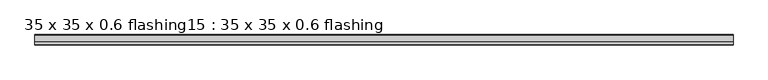
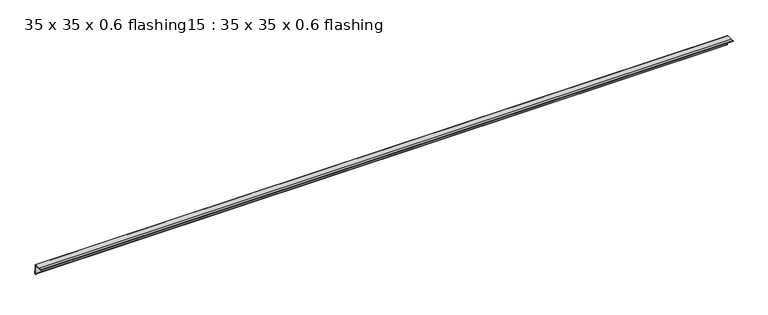
"""IFC4 building model written with IfcOpenShell, lengths in millimetres: proxy geometry, 35 x 35 x 0.6 flashing15 : 35 x 35 x 0.6 flashing."""

from ifc_helpers import new_model, si_unit, point, frame, frame_2d, origin, place, context, project, spatial, polyline, circle_curve, trimmed, segment, composite_curve, outline, extrude, source, transform, mapped, element, save


def proxy_35_x_35_x_0_6_flashing15_35_x_35_x_0_6_flashing_960d255f(model_context):
    return source(origin(), model_context, "Body", "SweptSolid", [
        extrude(outline(composite_curve([segment(polyline([(831.6461443, 1425.3887139), (854.1461443, 1425.3887139)]), True, "CONTINUOUS"), segment(trimmed(circle_curve(frame_2d((854.1461443, 1422.8887139)), 2.5), [point((854.1461443, 1425.3887139))], [point((856.6461443, 1422.8887139))], False, "CARTESIAN"), True, "CONTINUOUS"), segment(polyline([(856.6461443, 1422.8887139), (856.6461443, 1400.3887139), (857.6461443, 1400.3887139), (857.6461443, 1391.3560365)]), True, "CONTINUOUS"), segment(trimmed(circle_curve(frame_2d((856.6461443, 1391.3560365)), 1.0), [point((857.6461443, 1391.3560365))], [point((855.6461443, 1391.3560365))], False, "CARTESIAN"), True, "CONTINUOUS"), segment(polyline([(855.6461443, 1391.3560365), (855.6461443, 1422.8887139)]), True, "CONTINUOUS"), segment(trimmed(circle_curve(frame_2d((854.1461443, 1422.8887139)), 1.5), [point((855.6461443, 1422.8887139))], [point((854.1461443, 1424.3887139))], True, "CARTESIAN"), True, "CONTINUOUS"), segment(polyline([(854.1461443, 1424.3887139), (822.6443602, 1424.3887139)]), True, "CONTINUOUS"), segment(trimmed(circle_curve(frame_2d((822.6443602, 1425.3887139)), 1.0), [point((822.6443602, 1424.3887139))], [point((822.6443602, 1426.3887139))], False, "CARTESIAN"), True, "CONTINUOUS"), segment(polyline([(822.6443602, 1426.3887139), (831.6461443, 1426.3887139), (831.6461443, 1425.3887139)]), True, "CONTINUOUS")], self_intersect=False)), frame((1587.3395579, 0.0, 0.0), z_axis=(1.0, 0.0, 0.0), x_axis=(0.0, 1.0, 0.0)), (0.0, 0.0, 1.0), 2410.6438934),
    ])


if __name__ == "__main__":
    model = new_model("IFC4")
    model_context = context("Model", 3, world=origin())
    ifc_project = project(units=[si_unit("LENGTHUNIT", "METRE", prefix="MILLI")], contexts=[model_context])
    site = spatial("IfcSite", under=ifc_project)
    building = spatial("IfcBuilding", under=site)
    placement = place(None, origin())
    proxy_35_x_35_x_0_6_flashing15_35_x_35_x_0_6_flashing_shape = proxy_35_x_35_x_0_6_flashing15_35_x_35_x_0_6_flashing_960d255f(model_context)
    element("IfcBuildingElementProxy", 1, Name="35 x 35 x 0.6 flashing15 : 35 x 35 x 0.6 flashing", ObjectType="35 x 35 x 0.6 flashing15 : 35 x 35 x 0.6 flashing", at=placement, inside=building, context=model_context, shape_type="MappedRepresentation", body=[
        mapped(proxy_35_x_35_x_0_6_flashing15_35_x_35_x_0_6_flashing_shape, transform((0.0, 0.0, 0.0), x_axis=(1.0, 0.0, 0.0), y_axis=(0.0, 1.0, 0.0), z_axis=(0.0, 0.0, 1.0))),
    ])
    save(model, "model.ifc")
